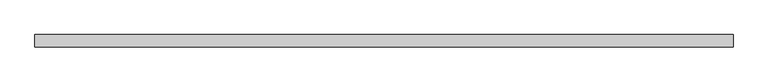
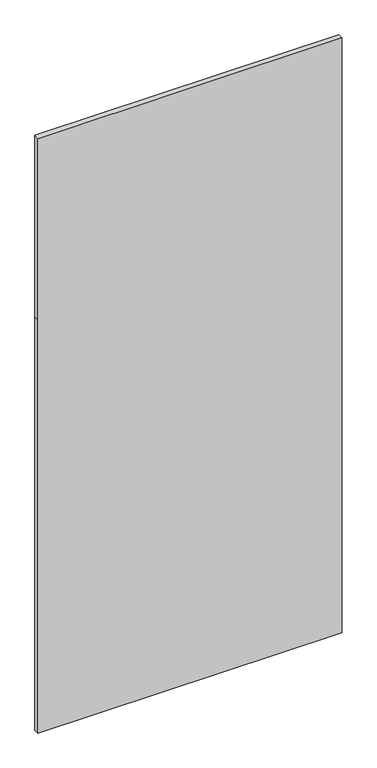
"""IFC4 building model written with IfcOpenShell, lengths in millimetres: plate geometry."""

from ifc_helpers import new_model, si_unit, frame, origin, place, context, project, spatial, polyline, outline, extrude, source, transform, mapped, element, save


def plate_a048b51d(model_context):
    return source(origin(), model_context, "Body", "SweptSolid", [
        extrude(outline(polyline([(0.0, -712.5), (0.0, 712.5), (2050.0, 712.5), (2950.0, 712.5), (2950.0, -712.5), (2050.0, -712.5), (0.0, -712.5)])), frame((0.0, 24.5, 0.0), z_axis=(0.0, 1.0, 0.0), x_axis=(0.0, 0.0, 1.0)), (0.0, 0.0, 1.0), 25.0),
    ])


if __name__ == "__main__":
    model = new_model("IFC4")
    model_context = context("Model", 3, world=origin())
    ifc_project = project(units=[si_unit("LENGTHUNIT", "METRE", prefix="MILLI")], contexts=[model_context])
    site = spatial("IfcSite", under=ifc_project)
    building = spatial("IfcBuilding", under=site)
    placement = place(None, origin())
    plate_shape = plate_a048b51d(model_context)
    element("IfcPlate", 1, at=placement, inside=building, context=model_context, shape_type="MappedRepresentation", body=[
        mapped(plate_shape, transform((0.0, 0.0, 0.0), x_axis=(1.0, 0.0, 0.0), y_axis=(0.0, 1.0, 0.0), z_axis=(0.0, 0.0, 1.0))),
    ])
    save(model, "model.ifc")
